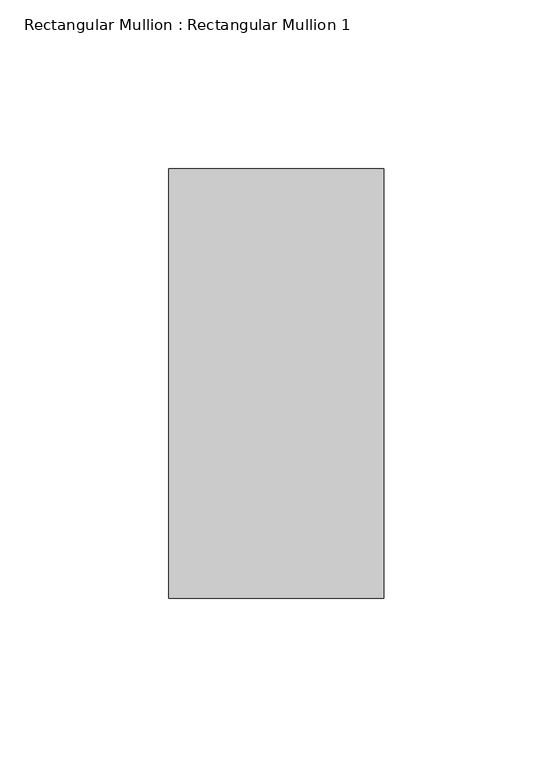
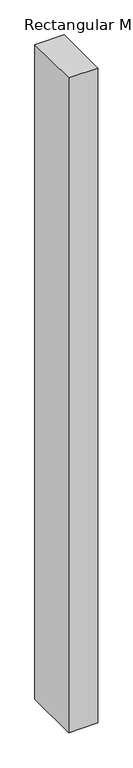
"""IFC4 building model written with IfcOpenShell, lengths in millimetres: member geometry, Rectangular Mullion : Rectangular Mullion 1."""

from ifc_helpers import new_model, si_unit, frame, origin, place, context, project, spatial, polyline, outline, extrude, source, transform, mapped, element, save


def rectangular_mullion_rectangular_mullion_1_245f6595(model_context):
    return source(origin(), model_context, "Body", "SweptSolid", [
        extrude(outline(polyline([(31.75, 63.5), (31.75, -63.5), (-31.75, -63.5), (-31.75, 63.5), (31.75, 63.5)])), frame((0.0, 0.0, -1511.3), z_axis=(0.0, 0.0, 1.0), x_axis=(1.0, 0.0, 0.0)), (0.0, 0.0, 1.0), 1511.3),
    ])


if __name__ == "__main__":
    model = new_model("IFC4")
    model_context = context("Model", 3, world=origin())
    ifc_project = project(units=[si_unit("LENGTHUNIT", "METRE", prefix="MILLI")], contexts=[model_context])
    site = spatial("IfcSite", under=ifc_project)
    building = spatial("IfcBuilding", under=site)
    placement = place(None, origin())
    rectangular_mullion_rectangular_mullion_1_shape = rectangular_mullion_rectangular_mullion_1_245f6595(model_context)
    element("IfcMember", 1, ObjectType="Rectangular Mullion : Rectangular Mullion 1", at=placement, inside=building, context=model_context, shape_type="MappedRepresentation", body=[
        mapped(rectangular_mullion_rectangular_mullion_1_shape, transform((0.0, 0.0, 0.0), x_axis=(1.0, 0.0, 0.0), y_axis=(0.0, 1.0, 0.0), z_axis=(0.0, 0.0, 1.0))),
    ])
    save(model, "model.ifc")
